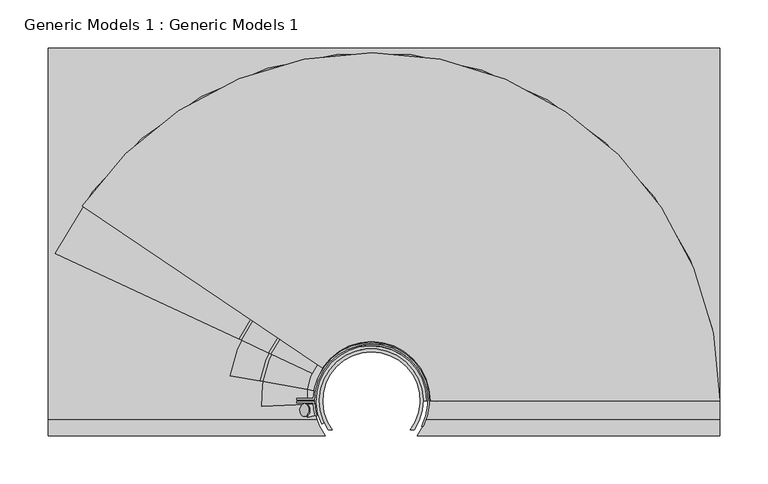
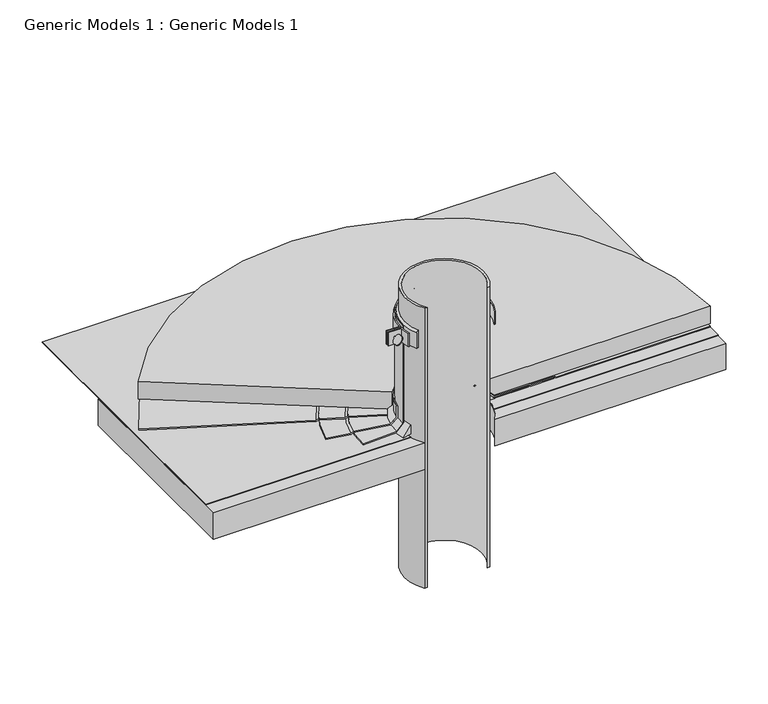
"""IFC4 building model written with IfcOpenShell, lengths in millimetres: proxy geometry, Generic Models 1 : Generic Models 1."""

from ifc_helpers import new_model, si_unit, point, frame, frame_2d, origin, place, context, project, spatial, polyline, circle_curve, ellipse_curve, trimmed, segment, composite_curve, outline, extrude, source, transform, mapped, element, save
from ifc_brep_helpers import plane_surface, cylinder_surface, revolved_surface, advanced_brep


def generic_models_1_generic_models_1_609b0c2f(model_context):
    return source(origin(), model_context, "Body", "SolidModel", [
        advanced_brep(
        [(387.35, 26.8183165, 372.727659), (387.35, 26.8183165, 398.127659), (86.4872607, 26.8183165, 398.127659), (86.4872607, 26.8183165, 379.077659), (92.8372607, 26.8183165, 372.727659), (-275.5390331, 229.4838323, 372.727659), (-31.3769066, 64.7943985, 372.727659), (-26.112518, 61.2435236, 379.077659), (-26.112518, 61.2435236, 398.127659), (-275.5390331, 229.4838323, 398.127659)],
        [
            (0, 1),
            (1, 2),
            (2, 3),
            (3, 4),
            (4, 0),
            (5, 6),
            (6, 7),
            (7, 8),
            (8, 9),
            (9, 5),
            (5, 0, circle_curve(frame((24.9249503, 26.8183165, 372.727659), z_axis=(0.0, 0.0, -1.0), x_axis=(1.0, 0.0, 0.0)), 362.4250497)),
            (4, 6, circle_curve(frame((24.9249503, 26.8183165, 372.727659), z_axis=(0.0, 0.0, 1.0), x_axis=(1.0, 0.0, 0.0)), 67.9123104)),
            (9, 1, circle_curve(frame((24.9249503, 26.8183165, 398.127659), z_axis=(0.0, 0.0, -1.0), x_axis=(1.0, 0.0, 0.0)), 362.4250497)),
            (8, 2, circle_curve(frame((24.9249503, 26.8183165, 398.127659), z_axis=(0.0, 0.0, -1.0), x_axis=(1.0, 0.0, 0.0)), 61.5623104)),
            (7, 3, circle_curve(frame((24.9249503, 26.8183165, 379.077659), z_axis=(0.0, 0.0, -1.0), x_axis=(1.0, 0.0, 0.0)), 61.5623104)),
        ],
        [
            plane_surface(frame((24.9249503, 26.8183165, 554.9190424), z_axis=(0.0, -1.0, 0.0), x_axis=(1.0, 0.0, 0.0))),
            plane_surface(frame((24.9249503, 26.8183165, 554.9190424), z_axis=(-0.5591929034707517, -0.8290375725550384, 0.0), x_axis=(-0.8290375725550384, 0.5591929034707517, 0.0))),
            plane_surface(frame((24.9249503, 26.8183165, 372.727659), z_axis=(0.0, 0.0, -1.0), x_axis=(1.0, 0.0, 0.0))),
            cylinder_surface(frame((24.9249503, 26.8183165, 554.9190424), z_axis=(0.0, 0.0, 1.0), x_axis=(1.0, 0.0, 0.0)), 362.4250497),
            plane_surface(frame((24.9249503, 26.8183165, 398.127659), z_axis=(0.0, 0.0, 1.0), x_axis=(1.0, 0.0, 0.0))),
            revolved_surface(polyline([(86.48726070000001, 26.8183165, 398.127659), (86.48726070000001, 26.8183165, 379.077659)]), (24.9249503, 26.8183165, 554.9190424), (0.0, 0.0, 1.0)),
            revolved_surface(polyline([(86.4872607, 26.8183165, 379.077659), (92.8372607, 26.8183165, 372.727659)]), (24.9249503, 26.8183165, 554.9190424), (0.0, 0.0, 1.0)),
        ],
        [
            (0, [[1, 2, 3, 4, 5]]),
            (1, [[6, 7, 8, 9, 10]]),
            (2, [[11, -5, 12, -6]]),
            (3, [[13, -1, -11, -10]]),
            (4, [[14, -2, -13, -9]]),
            (5, [[15, -3, -14, -8]]),
            (6, [[-12, -4, -15, -7]]),
        ],
    ),
        extrude(outline(composite_curve([segment(polyline([(-311.15, 261.3017557), (387.35, 261.3017557), (387.35, -9.6330364), (72.7898052, -9.6330364)]), True, "CONTINUOUS"), segment(trimmed(circle_curve(frame_2d((24.9249503, 26.8183165)), 60.1643206), [point((72.7898052, -9.6330364))], [point((-22.9399046, -9.6330364))], True, "CARTESIAN"), True, "CONTINUOUS"), segment(polyline([(-22.9399046, -9.6330364), (-311.15, -9.6330364), (-311.15, 261.3017557)]), True, "CONTINUOUS")], self_intersect=False)), frame((0.0, 0.0, 328.1998414), z_axis=(0.0, 0.0, 1.0), x_axis=(1.0, 0.0, 0.0)), (0.0, 0.0, 1.0), 38.1),
        extrude(outline(composite_curve([segment(trimmed(circle_curve(frame_2d((7.0940263, -1.1482682)), 6.6136328), [point((0.5808383, 0.0))], [point((0.5808383, -2.2965365))], False, "CARTESIAN"), True, "CONTINUOUS"), segment(polyline([(0.5808383, -2.2965365), (-0.2871582, -2.2965365), (-0.2871582, 0.0), (0.5808383, 0.0)]), True, "CONTINUOUS")], self_intersect=False)), frame((-42.7345771, 24.1499083, 506.1139344), z_axis=(-0.7071067811865462, 0.0, 0.7071067811865489), x_axis=(0.0, -1.0, 0.0)), (0.0, 0.0, 1.0), 1.5875),
        extrude(outline(composite_curve([segment(polyline([(-33.8071863, 27.6120665), (-52.8625497, 27.6120665), (-52.8625497, 29.1995665), (-35.353033, 29.1995665)]), True, "CONTINUOUS"), segment(trimmed(circle_curve(frame_2d((24.9249503, 26.8183165)), 60.325), [point((-35.353033, 29.1995665))], [point((78.9608969, 0.0))], False, "CARTESIAN"), True, "CONTINUOUS"), segment(polyline([(78.9608969, 0.0), (77.1826943, 0.0)]), True, "CONTINUOUS"), segment(trimmed(circle_curve(frame_2d((24.9249503, 26.8183165)), 58.7375), [point((77.1826943, 0.0))], [point((-33.8071863, 27.6120665))], True, "CARTESIAN"), True, "CONTINUOUS")], self_intersect=False)), frame((0.0, 0.0, 496.1427696), z_axis=(0.0, 0.0, 1.0), x_axis=(1.0, 0.0, 0.0)), (0.0, 0.0, 1.0), 19.05),
        extrude(outline(composite_curve([segment(trimmed(circle_curve(frame_2d((24.9249503, 26.8183165)), 60.325), [point((-33.3196456, 11.1125))], [point((-35.353033, 24.4370665))], False, "CARTESIAN"), True, "CONTINUOUS"), segment(polyline([(-35.353033, 24.4370665), (-52.8625497, 24.4370665), (-52.8625497, 26.0245665), (-33.8071863, 26.0245665)]), True, "CONTINUOUS"), segment(trimmed(circle_curve(frame_2d((24.9249503, 26.8183165)), 58.7375), [point((-33.8071863, 26.0245665))], [point((-31.6738238, 11.1125))], True, "CARTESIAN"), True, "CONTINUOUS"), segment(polyline([(-31.6738238, 11.1125), (-33.3196456, 11.1125)]), True, "CONTINUOUS")], self_intersect=False)), frame((0.0, 0.0, 496.1427696), z_axis=(0.0, 0.0, 1.0), x_axis=(1.0, 0.0, 0.0)), (0.0, 0.0, 1.0), 19.05),
        advanced_brep(
        [(78.8999503, 26.8183165, 520.9252815), (78.8999503, 26.8183165, 496.0797882), (82.0749503, 26.8183165, 496.0797882), (82.0749503, 26.8183165, 518.7101114), (-23.9930125, 4.0074958, 520.9252815), (-26.8705397, 2.6656828, 518.7101114), (-26.8705397, 2.6656828, 496.0797882), (-23.9930125, 4.0074958, 496.0797882)],
        [
            (0, 1),
            (1, 2),
            (2, 3),
            (3, 0, circle_curve(frame((77.9949597, 26.8183165, 516.2452133), z_axis=(0.0, -1.0, 0.0), x_axis=(1.0, 0.0, 0.0)), 4.7667648)),
            (4, 5, circle_curve(frame((-23.1728124, 4.3899614, 516.2452133), z_axis=(0.42261826174069284, -0.906307787036653, 0.0), x_axis=(-0.906307787036653, -0.42261826174069284, 0.0)), 4.7667648)),
            (5, 6),
            (6, 7),
            (7, 4),
            (7, 1, circle_curve(frame((24.9249503, 26.8183165, 496.0797882), z_axis=(0.0, 0.0, -1.0), x_axis=(1.0, 0.0, 0.0)), 53.975)),
            (0, 4, circle_curve(frame((24.9249503, 26.8183165, 520.9252815), z_axis=(0.0, 0.0, 1.0), x_axis=(1.0, 0.0, 0.0)), 53.975)),
            (6, 2, circle_curve(frame((24.9249503, 26.8183165, 496.0797882), z_axis=(0.0, 0.0, -1.0), x_axis=(1.0, 0.0, 0.0)), 57.15)),
            (5, 3, circle_curve(frame((24.9249503, 26.8183165, 518.7101114), z_axis=(0.0, 0.0, -1.0), x_axis=(1.0, 0.0, 0.0)), 57.15)),
        ],
        [
            plane_surface(frame((24.9249503, 26.8183165, 553.3315424), z_axis=(0.0, -1.0, 0.0), x_axis=(1.0, 0.0, 0.0))),
            plane_surface(frame((24.9249503, 26.8183165, 553.3315424), z_axis=(0.42261826174069284, -0.9063077870366532, 0.0), x_axis=(-0.9063077870366532, -0.42261826174069284, 0.0))),
            revolved_surface(polyline([(78.8999503, 26.8183165, 520.9252815), (78.8999503, 26.8183165, 496.0797882)]), (24.9249503, 26.8183165, 553.3315424), (0.0, 0.0, 1.0)),
            plane_surface(frame((24.9249503, 26.8183165, 496.0797882), z_axis=(0.0, 0.0, -1.0), x_axis=(1.0, 0.0, 0.0))),
            cylinder_surface(frame((24.9249503, 26.8183165, 553.3315424), z_axis=(0.0, 0.0, 1.0), x_axis=(1.0, 0.0, 0.0)), 57.15),
            revolved_surface(trimmed(ellipse_curve(frame((77.9949597, 26.8183165, 516.2452133), z_axis=(0.0, -1.0, 0.0), x_axis=(1.0, 0.0, 0.0)), 4.7667648, 4.7667648), [point((82.0749503, 26.8183165, 518.7101114))], [point((78.8999503, 26.8183165, 520.9252815))], True, "CARTESIAN"), (24.9249503, 26.8183165, 553.3315424), (0.0, 0.0, 1.0)),
        ],
        [
            (0, [[1, 2, 3, 4]]),
            (1, [[5, 6, 7, 8]]),
            (2, [[9, -1, 10, -8]]),
            (3, [[11, -2, -9, -7]]),
            (4, [[12, -3, -11, -6]]),
            (5, [[-10, -4, -12, -5]]),
        ],
    ),
        advanced_brep(
        [(139.6503197, 26.8183165, 371.140159), (142.5347345, 26.8183165, 369.4748414), (173.8593651, 26.8183165, 369.4748414), (176.74378, 26.8183165, 367.8095237), (387.35, 26.8183165, 367.8095237), (387.35, 26.8183165, 369.3970237), (177.1691493, 26.8183165, 369.3970237), (174.2847345, 26.8183165, 371.0623414), (142.9601038, 26.8183165, 371.0623414), (140.075689, 26.8183165, 372.727659), (92.8372607, 26.8183165, 372.727659), (92.8372607, 26.8183165, 371.140159), (-79.0515453, 75.3033527, 371.140159), (-36.6245054, 55.5192991, 371.140159), (-36.6245054, 55.5192991, 372.727659), (-79.4370608, 75.4831215, 372.727659), (-82.0512285, 76.7021279, 371.0623414), (-110.4409852, 89.9404889, 371.0623414), (-113.0551528, 91.1594952, 369.3970237), (-303.5436944, 179.985761, 369.3970237), (-303.5436944, 179.985761, 367.8095237), (-112.6696372, 90.9797264, 367.8095237), (-110.0554696, 89.76072, 369.4748414), (-81.6657129, 76.522359, 369.4748414)],
        [
            (0, 1),
            (1, 2),
            (2, 3),
            (3, 4),
            (4, 5),
            (5, 6),
            (6, 7),
            (7, 8),
            (8, 9),
            (9, 10),
            (10, 11),
            (11, 0),
            (12, 13),
            (13, 14),
            (14, 15),
            (15, 16),
            (16, 17),
            (17, 18),
            (18, 19),
            (19, 20),
            (20, 21),
            (21, 22),
            (22, 23),
            (23, 12),
            (22, 2, circle_curve(frame((24.9249503, 26.8183165, 369.4748414), z_axis=(0.0, 0.0, -1.0), x_axis=(1.0, 0.0, 0.0)), 148.9344148)),
            (1, 23, circle_curve(frame((24.9249503, 26.8183165, 369.4748414), z_axis=(0.0, 0.0, 1.0), x_axis=(1.0, 0.0, 0.0)), 117.6097842)),
            (0, 12, circle_curve(frame((24.9249503, 26.8183165, 371.140159), z_axis=(0.0, 0.0, 1.0), x_axis=(1.0, 0.0, 0.0)), 114.7253693)),
            (11, 13, circle_curve(frame((24.9249503, 26.8183165, 371.140159), z_axis=(0.0, 0.0, 1.0), x_axis=(1.0, 0.0, 0.0)), 67.9123104)),
            (21, 3, circle_curve(frame((24.9249503, 26.8183165, 367.8095237), z_axis=(0.0, 0.0, -1.0), x_axis=(1.0, 0.0, 0.0)), 151.8188297)),
            (20, 4, circle_curve(frame((24.9249503, 26.8183165, 367.8095237), z_axis=(0.0, 0.0, -1.0), x_axis=(1.0, 0.0, 0.0)), 362.4250497)),
            (19, 5, circle_curve(frame((24.9249503, 26.8183165, 369.3970237), z_axis=(0.0, 0.0, -1.0), x_axis=(1.0, 0.0, 0.0)), 362.4250497)),
            (18, 6, circle_curve(frame((24.9249503, 26.8183165, 369.3970237), z_axis=(0.0, 0.0, -1.0), x_axis=(1.0, 0.0, 0.0)), 152.244199)),
            (17, 7, circle_curve(frame((24.9249503, 26.8183165, 371.0623414), z_axis=(0.0, 0.0, -1.0), x_axis=(1.0, 0.0, 0.0)), 149.3597842)),
            (16, 8, circle_curve(frame((24.9249503, 26.8183165, 371.0623414), z_axis=(0.0, 0.0, -1.0), x_axis=(1.0, 0.0, 0.0)), 118.0351535)),
            (15, 9, circle_curve(frame((24.9249503, 26.8183165, 372.727659), z_axis=(0.0, 0.0, -1.0), x_axis=(1.0, 0.0, 0.0)), 115.1507387)),
            (14, 10, circle_curve(frame((24.9249503, 26.8183165, 372.727659), z_axis=(0.0, 0.0, -1.0), x_axis=(1.0, 0.0, 0.0)), 67.9123104)),
        ],
        [
            plane_surface(frame((24.9249503, 26.8183165, 553.3315424), z_axis=(0.0, -1.0, 0.0), x_axis=(1.0, 0.0, 0.0))),
            plane_surface(frame((24.9249503, 26.8183165, 553.3315424), z_axis=(-0.42261826174070477, -0.9063077870366475, 0.0), x_axis=(-0.9063077870366475, 0.42261826174070477, 0.0))),
            plane_surface(frame((24.9249503, 26.8183165, 369.4748414), z_axis=(0.0, 0.0, -1.0), x_axis=(1.0, 0.0, 0.0))),
            revolved_surface(polyline([(139.6503197, 26.8183165, 371.140159), (142.5347345, 26.8183165, 369.4748414)]), (24.9249503, 26.8183165, 553.3315424), (0.0, 0.0, 1.0)),
            plane_surface(frame((24.9249503, 26.8183165, 371.140159), z_axis=(0.0, 0.0, -1.0), x_axis=(1.0, 0.0, 0.0))),
            revolved_surface(polyline([(173.8593651, 26.8183165, 369.4748414), (176.74378, 26.8183165, 367.8095237)]), (24.9249503, 26.8183165, 553.3315424), (0.0, 0.0, 1.0)),
            plane_surface(frame((24.9249503, 26.8183165, 367.8095237), z_axis=(0.0, 0.0, -1.0), x_axis=(1.0, 0.0, 0.0))),
            cylinder_surface(frame((24.9249503, 26.8183165, 553.3315424), z_axis=(0.0, 0.0, 1.0), x_axis=(1.0, 0.0, 0.0)), 362.4250497),
            plane_surface(frame((24.9249503, 26.8183165, 369.3970237), z_axis=(0.0, 0.0, 1.0), x_axis=(1.0, 0.0, 0.0))),
            revolved_surface(polyline([(177.1691493, 26.8183165, 369.3970237), (174.2847345, 26.8183165, 371.0623414)]), (24.9249503, 26.8183165, 553.3315424), (0.0, 0.0, 1.0)),
            plane_surface(frame((24.9249503, 26.8183165, 371.0623414), z_axis=(0.0, 0.0, 1.0), x_axis=(1.0, 0.0, 0.0))),
            revolved_surface(polyline([(142.9601038, 26.8183165, 371.0623414), (140.075689, 26.8183165, 372.727659)]), (24.9249503, 26.8183165, 553.3315424), (0.0, 0.0, 1.0)),
            plane_surface(frame((24.9249503, 26.8183165, 372.727659), z_axis=(0.0, 0.0, 1.0), x_axis=(1.0, 0.0, 0.0))),
            revolved_surface(polyline([(92.8372607, 26.8183165, 372.727659), (92.8372607, 26.8183165, 371.140159)]), (24.9249503, 26.8183165, 553.3315424), (0.0, 0.0, 1.0)),
        ],
        [
            (0, [[1, 2, 3, 4, 5, 6, 7, 8, 9, 10, 11, 12]]),
            (1, [[13, 14, 15, 16, 17, 18, 19, 20, 21, 22, 23, 24]]),
            (2, [[25, -2, 26, -23]]),
            (3, [[-26, -1, 27, -24]]),
            (4, [[-27, -12, 28, -13]]),
            (5, [[29, -3, -25, -22]]),
            (6, [[30, -4, -29, -21]]),
            (7, [[31, -5, -30, -20]]),
            (8, [[32, -6, -31, -19]]),
            (9, [[33, -7, -32, -18]]),
            (10, [[34, -8, -33, -17]]),
            (11, [[35, -9, -34, -16]]),
            (12, [[36, -10, -35, -15]]),
            (13, [[-28, -11, -36, -14]]),
        ],
    ),
        advanced_brep(
        [(83.6624503, 26.8183165, 378.0699054), (92.1796967, 26.8183165, 369.552659), (139.2249503, 26.8183165, 369.552659), (142.1093651, 26.8183165, 367.8873414), (173.8593651, 26.8183165, 367.8873414), (173.8593651, 26.8183165, 369.4748414), (142.5347345, 26.8183165, 369.4748414), (139.6503197, 26.8183165, 371.140159), (92.8372607, 26.8183165, 371.140159), (85.2499503, 26.8183165, 378.7274694), (85.2499503, 26.8183165, 394.952659), (83.6624503, 26.8183165, 394.952659), (-32.9201951, 37.0179763, 378.0699054), (-32.9201951, 37.0179763, 394.952659), (-34.4835774, 37.2936428, 394.952659), (-34.4835774, 37.2936428, 378.7274694), (-41.9556195, 38.6111654, 371.140159), (-88.0574829, 46.7401678, 371.140159), (-90.898077, 47.2410412, 369.4748414), (-121.7468161, 52.6805062, 369.4748414), (-121.7468161, 52.6805062, 367.8873414), (-90.4791699, 47.1671766, 367.8873414), (-87.6385759, 46.6663032, 369.552659), (-41.3080453, 38.4969806, 369.552659)],
        [
            (0, 1),
            (1, 2),
            (2, 3),
            (3, 4),
            (4, 5),
            (5, 6),
            (6, 7),
            (7, 8),
            (8, 9),
            (9, 10),
            (10, 11),
            (11, 0),
            (12, 13),
            (13, 14),
            (14, 15),
            (15, 16),
            (16, 17),
            (17, 18),
            (18, 19),
            (19, 20),
            (20, 21),
            (21, 22),
            (22, 23),
            (23, 12),
            (22, 2, circle_curve(frame((24.9249503, 26.8183165, 369.552659), z_axis=(0.0, 0.0, -1.0), x_axis=(1.0, 0.0, 0.0)), 114.3)),
            (1, 23, circle_curve(frame((24.9249503, 26.8183165, 369.552659), z_axis=(0.0, 0.0, 1.0), x_axis=(1.0, 0.0, 0.0)), 67.2547464)),
            (0, 12, circle_curve(frame((24.9249503, 26.8183165, 378.0699054), z_axis=(0.0, 0.0, 1.0), x_axis=(1.0, 0.0, 0.0)), 58.7375)),
            (11, 13, circle_curve(frame((24.9249503, 26.8183165, 394.952659), z_axis=(0.0, 0.0, 1.0), x_axis=(1.0, 0.0, 0.0)), 58.7375)),
            (21, 3, circle_curve(frame((24.9249503, 26.8183165, 367.8873414), z_axis=(0.0, 0.0, -1.0), x_axis=(1.0, 0.0, 0.0)), 117.1844148)),
            (20, 4, circle_curve(frame((24.9249503, 26.8183165, 367.8873414), z_axis=(0.0, 0.0, -1.0), x_axis=(1.0, 0.0, 0.0)), 148.9344148)),
            (19, 5, circle_curve(frame((24.9249503, 26.8183165, 369.4748414), z_axis=(0.0, 0.0, -1.0), x_axis=(1.0, 0.0, 0.0)), 148.9344148)),
            (18, 6, circle_curve(frame((24.9249503, 26.8183165, 369.4748414), z_axis=(0.0, 0.0, -1.0), x_axis=(1.0, 0.0, 0.0)), 117.6097842)),
            (17, 7, circle_curve(frame((24.9249503, 26.8183165, 371.140159), z_axis=(0.0, 0.0, -1.0), x_axis=(1.0, 0.0, 0.0)), 114.7253693)),
            (16, 8, circle_curve(frame((24.9249503, 26.8183165, 371.140159), z_axis=(0.0, 0.0, -1.0), x_axis=(1.0, 0.0, 0.0)), 67.9123104)),
            (15, 9, circle_curve(frame((24.9249503, 26.8183165, 378.7274694), z_axis=(0.0, 0.0, -1.0), x_axis=(1.0, 0.0, 0.0)), 60.325)),
            (14, 10, circle_curve(frame((24.9249503, 26.8183165, 394.952659), z_axis=(0.0, 0.0, -1.0), x_axis=(1.0, 0.0, 0.0)), 60.325)),
        ],
        [
            plane_surface(frame((24.9249503, 26.8183165, 553.3315424), z_axis=(0.0, -1.0, 0.0), x_axis=(1.0, 0.0, 0.0))),
            plane_surface(frame((24.9249503, 26.8183165, 553.3315424), z_axis=(-0.17364817766693685, -0.984807753012207, 0.0), x_axis=(-0.984807753012207, 0.17364817766693685, 0.0))),
            plane_surface(frame((24.9249503, 26.8183165, 369.552659), z_axis=(0.0, 0.0, -1.0), x_axis=(1.0, 0.0, 0.0))),
            revolved_surface(polyline([(83.6624503, 26.8183165, 378.0699054), (92.1796967, 26.8183165, 369.552659)]), (24.9249503, 26.8183165, 553.3315424), (0.0, 0.0, 1.0)),
            revolved_surface(polyline([(83.66245029999999, 26.8183165, 394.952659), (83.66245029999999, 26.8183165, 378.0699054)]), (24.9249503, 26.8183165, 553.3315424), (0.0, 0.0, 1.0)),
            revolved_surface(polyline([(139.2249503, 26.8183165, 369.552659), (142.1093651, 26.8183165, 367.8873414)]), (24.9249503, 26.8183165, 553.3315424), (0.0, 0.0, 1.0)),
            plane_surface(frame((24.9249503, 26.8183165, 367.8873414), z_axis=(0.0, 0.0, -1.0), x_axis=(1.0, 0.0, 0.0))),
            cylinder_surface(frame((24.9249503, 26.8183165, 553.3315424), z_axis=(0.0, 0.0, 1.0), x_axis=(1.0, 0.0, 0.0)), 148.9344148),
            plane_surface(frame((24.9249503, 26.8183165, 369.4748414), z_axis=(0.0, 0.0, 1.0), x_axis=(1.0, 0.0, 0.0))),
            revolved_surface(polyline([(142.5347345, 26.8183165, 369.4748414), (139.6503197, 26.8183165, 371.140159)]), (24.9249503, 26.8183165, 553.3315424), (0.0, 0.0, 1.0)),
            plane_surface(frame((24.9249503, 26.8183165, 371.140159), z_axis=(0.0, 0.0, 1.0), x_axis=(1.0, 0.0, 0.0))),
            revolved_surface(polyline([(92.8372607, 26.8183165, 371.140159), (85.2499503, 26.8183165, 378.7274694)]), (24.9249503, 26.8183165, 553.3315424), (0.0, 0.0, 1.0)),
            cylinder_surface(frame((24.9249503, 26.8183165, 553.3315424), z_axis=(0.0, 0.0, 1.0), x_axis=(1.0, 0.0, 0.0)), 60.325),
            plane_surface(frame((24.9249503, 26.8183165, 394.952659), z_axis=(0.0, 0.0, 1.0), x_axis=(1.0, 0.0, 0.0))),
        ],
        [
            (0, [[1, 2, 3, 4, 5, 6, 7, 8, 9, 10, 11, 12]]),
            (1, [[13, 14, 15, 16, 17, 18, 19, 20, 21, 22, 23, 24]]),
            (2, [[25, -2, 26, -23]]),
            (3, [[-26, -1, 27, -24]]),
            (4, [[-27, -12, 28, -13]]),
            (5, [[29, -3, -25, -22]]),
            (6, [[30, -4, -29, -21]]),
            (7, [[31, -5, -30, -20]]),
            (8, [[32, -6, -31, -19]]),
            (9, [[33, -7, -32, -18]]),
            (10, [[34, -8, -33, -17]]),
            (11, [[35, -9, -34, -16]]),
            (12, [[36, -10, -35, -15]]),
            (13, [[-28, -11, -36, -14]]),
        ],
    ),
        advanced_brep(
        [(139.2249503, 26.8183165, 367.965159), (139.2249503, 26.8183165, 369.552659), (92.1796967, 26.8183165, 369.552659), (83.6624503, 26.8183165, 378.0699054), (83.6624503, 26.8183165, 518.7101114), (82.0749503, 26.8183165, 518.7101114), (82.0749503, 26.8183165, 377.4123414), (91.5221326, 26.8183165, 367.965159), (-89.2179094, 20.8268587, 367.965159), (-41.5806739, 23.3273786, 367.965159), (-32.1464796, 23.8225876, 377.4123414), (-32.1464796, 23.8225876, 518.7101114), (-33.7317971, 23.7393729, 518.7101114), (-33.7317971, 23.7393729, 378.0699054), (-42.2373339, 23.2929099, 369.552659), (-89.2179094, 20.8268587, 369.552659)],
        [
            (0, 1),
            (1, 2),
            (2, 3),
            (3, 4),
            (4, 5),
            (5, 6),
            (6, 7),
            (7, 0),
            (8, 9),
            (9, 10),
            (10, 11),
            (11, 12),
            (12, 13),
            (13, 14),
            (14, 15),
            (15, 8),
            (15, 1, circle_curve(frame((24.9249503, 26.8183165, 369.552659), z_axis=(0.0, 0.0, -1.0), x_axis=(1.0, 0.0, 0.0)), 114.3)),
            (0, 8, circle_curve(frame((24.9249503, 26.8183165, 367.965159), z_axis=(0.0, 0.0, 1.0), x_axis=(1.0, 0.0, 0.0)), 114.3)),
            (14, 2, circle_curve(frame((24.9249503, 26.8183165, 369.552659), z_axis=(0.0, 0.0, -1.0), x_axis=(1.0, 0.0, 0.0)), 67.2547464)),
            (13, 3, circle_curve(frame((24.9249503, 26.8183165, 378.0699054), z_axis=(0.0, 0.0, -1.0), x_axis=(1.0, 0.0, 0.0)), 58.7375)),
            (12, 4, circle_curve(frame((24.9249503, 26.8183165, 518.7101114), z_axis=(0.0, 0.0, -1.0), x_axis=(1.0, 0.0, 0.0)), 58.7375)),
            (11, 5, circle_curve(frame((24.9249503, 26.8183165, 518.7101114), z_axis=(0.0, 0.0, -1.0), x_axis=(1.0, 0.0, 0.0)), 57.15)),
            (10, 6, circle_curve(frame((24.9249503, 26.8183165, 377.4123414), z_axis=(0.0, 0.0, -1.0), x_axis=(1.0, 0.0, 0.0)), 57.15)),
            (9, 7, circle_curve(frame((24.9249503, 26.8183165, 367.965159), z_axis=(0.0, 0.0, -1.0), x_axis=(1.0, 0.0, 0.0)), 66.5971823)),
        ],
        [
            plane_surface(frame((24.9249503, 26.8183165, 553.3315424), z_axis=(0.0, -1.0, 0.0), x_axis=(1.0, 0.0, 0.0))),
            plane_surface(frame((24.9249503, 26.8183165, 553.3315424), z_axis=(0.05241870301951153, -0.9986251947421277, 0.0), x_axis=(-0.9986251947421277, -0.05241870301951153, 0.0))),
            cylinder_surface(frame((24.9249503, 26.8183165, 553.3315424), z_axis=(0.0, 0.0, 1.0), x_axis=(1.0, 0.0, 0.0)), 114.3),
            plane_surface(frame((24.9249503, 26.8183165, 369.552659), z_axis=(0.0, 0.0, 1.0), x_axis=(1.0, 0.0, 0.0))),
            revolved_surface(polyline([(92.1796967, 26.8183165, 369.552659), (83.6624503, 26.8183165, 378.0699054)]), (24.9249503, 26.8183165, 553.3315424), (0.0, 0.0, 1.0)),
            cylinder_surface(frame((24.9249503, 26.8183165, 553.3315424), z_axis=(0.0, 0.0, 1.0), x_axis=(1.0, 0.0, 0.0)), 58.7375),
            plane_surface(frame((24.9249503, 26.8183165, 518.7101114), z_axis=(0.0, 0.0, 1.0), x_axis=(1.0, 0.0, 0.0))),
            revolved_surface(polyline([(82.0749503, 26.8183165, 518.7101114), (82.0749503, 26.8183165, 377.4123414)]), (24.9249503, 26.8183165, 553.3315424), (0.0, 0.0, 1.0)),
            revolved_surface(polyline([(82.0749503, 26.8183165, 377.4123414), (91.5221326, 26.8183165, 367.965159)]), (24.9249503, 26.8183165, 553.3315424), (0.0, 0.0, 1.0)),
            plane_surface(frame((24.9249503, 26.8183165, 367.965159), z_axis=(0.0, 0.0, -1.0), x_axis=(1.0, 0.0, 0.0))),
        ],
        [
            (0, [[1, 2, 3, 4, 5, 6, 7, 8]]),
            (1, [[9, 10, 11, 12, 13, 14, 15, 16]]),
            (2, [[17, -1, 18, -16]]),
            (3, [[19, -2, -17, -15]]),
            (4, [[20, -3, -19, -14]]),
            (5, [[21, -4, -20, -13]]),
            (6, [[22, -5, -21, -12]]),
            (7, [[23, -6, -22, -11]]),
            (8, [[24, -7, -23, -10]]),
            (9, [[-18, -8, -24, -9]]),
        ],
    ),
        advanced_brep(
        [(80.4863383, 26.4667976, 380.5873414), (80.4863383, 26.4667976, 367.8873414), (93.1860842, 26.3864504, 367.8873414), (-28.840273, 12.8007502, 380.5873414), (-41.1294669, 9.5967351, 367.8873414), (-28.840273, 12.8007502, 367.8873414)],
        [
            (0, 1),
            (1, 2),
            (2, 0),
            (3, 4),
            (4, 5),
            (5, 3),
            (5, 1, circle_curve(frame((24.9249503, 26.8183165, 367.8873414), z_axis=(0.0, 0.0, -1.0), x_axis=(0.9999799871872431, -0.006326549217469668, 0.0)), 55.5625)),
            (0, 3, circle_curve(frame((24.9249503, 26.8183165, 380.5873414), z_axis=(0.0, 0.0, 1.0), x_axis=(0.9999799871872431, -0.006326549217469668, 0.0)), 55.5625)),
            (4, 2, circle_curve(frame((24.9249503, 26.8183165, 367.8873414), z_axis=(0.0, 0.0, -1.0), x_axis=(0.9999799871872431, -0.006326549217469668, 0.0)), 68.2625)),
        ],
        [
            plane_surface(frame((80.4863383, 26.4667976, 367.8873414), z_axis=(-0.006326549217469697, -0.9999799871872432, 0.0), x_axis=(0.0, 0.0, 1.0))),
            plane_surface(frame((-28.840273, 12.8007502, 367.8873414), z_axis=(0.25228465749856094, -0.9676530636497949, 0.0), x_axis=(0.0, 0.0, 1.0))),
            revolved_surface(polyline([(80.4863383380912, 26.466797609104344, 380.5873414), (80.4863383380912, 26.466797609104344, 367.8873414)]), (24.9249503, 26.8183165, 367.8873414), (0.0, 0.0, 1.0)),
            plane_surface(frame((24.9249503, 26.8183165, 367.8873414), z_axis=(0.0, 0.0, -1.0000000000000002), x_axis=(0.9999799871872432, -0.006326549217469669, 0.0))),
            revolved_surface(polyline([(93.1860842, 26.3864504, 367.8873414), (80.4863383, 26.4667976, 380.5873414)]), (24.9249503, 26.8183165, 367.8873414), (0.0, 0.0, 1.0)),
        ],
        [
            (0, [[1, 2, 3]]),
            (1, [[4, 5, 6]]),
            (2, [[7, -1, 8, -6]]),
            (3, [[9, -2, -7, -5]]),
            (4, [[-8, -3, -9, -4]]),
        ],
    ),
        extrude(outline(composite_curve([segment(polyline([(-311.15, 393.8469389), (387.35, 393.8469389), (387.35, 7.5776616), (81.9297104, 7.5776616)]), True, "CONTINUOUS"), segment(trimmed(circle_curve(frame_2d((24.9249503, 26.8183165)), 60.1643206), [point((81.9297104, 7.5776616))], [point((-32.0798097, 7.5776616))], True, "CARTESIAN"), True, "CONTINUOUS"), segment(polyline([(-32.0798097, 7.5776616), (-311.15, 7.5776616), (-311.15, 393.8469389)]), True, "CONTINUOUS")], self_intersect=False)), frame((0.0, 0.0, 367.0935914), z_axis=(0.0, 0.0, 1.0), x_axis=(1.0, 0.0, 0.0)), (0.0, 0.0, 1.0), 0.79375),
        extrude(outline(composite_curve([segment(polyline([(-15.7164484, -3.6598185), (-19.6214739, -3.6598185)]), True, "CONTINUOUS"), segment(trimmed(circle_curve(frame_2d((24.9249503, 26.8183165)), 53.975), [point((-19.6214739, -3.6598185))], [point((69.4713745, -3.6598185))], False, "CARTESIAN"), True, "CONTINUOUS"), segment(polyline([(69.4713745, -3.6598185), (65.566349, -3.6598185)]), True, "CONTINUOUS"), segment(trimmed(circle_curve(frame_2d((24.9249503, 26.8183165)), 50.8), [point((65.566349, -3.6598185))], [point((-15.7164484, -3.6598185))], True, "CARTESIAN"), True, "CONTINUOUS")], self_intersect=False)), frame((0.0, 0.0, 151.6905235), z_axis=(0.0, 0.0, 1.0), x_axis=(1.0, 0.0, 0.0)), (0.0, 0.0, 1.0), 403.9969481),
    ])


if __name__ == "__main__":
    model = new_model("IFC4")
    model_context = context("Model", 3, world=origin())
    ifc_project = project(units=[si_unit("LENGTHUNIT", "METRE", prefix="MILLI")], contexts=[model_context])
    site = spatial("IfcSite", under=ifc_project)
    building = spatial("IfcBuilding", under=site)
    placement = place(None, origin())
    generic_models_1_generic_models_1_shape = generic_models_1_generic_models_1_609b0c2f(model_context)
    element("IfcBuildingElementProxy", 1, Name="Generic Models 1 : Generic Models 1", ObjectType="Generic Models 1 : Generic Models 1", at=placement, inside=building, context=model_context, shape_type="MappedRepresentation", body=[
        mapped(generic_models_1_generic_models_1_shape, transform((0.0, 0.0, 0.0), x_axis=(1.0, 0.0, 0.0), y_axis=(0.0, 1.0, 0.0), z_axis=(0.0, 0.0, 1.0))),
    ])
    save(model, "model.ifc")
